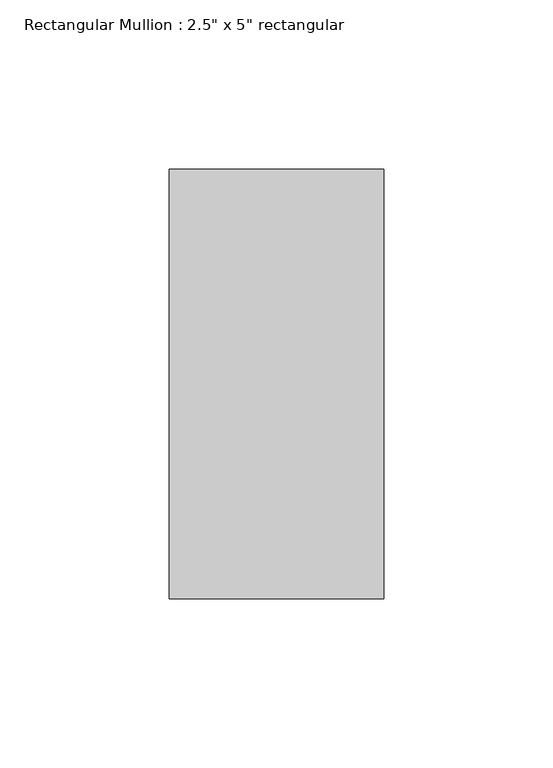
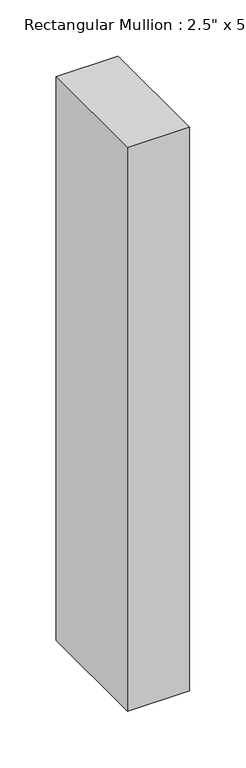
"""IFC4 building model written with IfcOpenShell, lengths in millimetres: member geometry."""

from ifc_helpers import new_model, si_unit, frame, origin, place, context, project, spatial, polyline, outline, extrude, source, transform, mapped, element, save


def member_04c17c44(model_context):
    return source(origin(), model_context, "Body", "SweptSolid", [
        extrude(outline(polyline([(0.0, 0.0), (0.0011783, -63.5), (-610.9260059, -63.5), (-610.9260059, 0.0), (0.0, 0.0)])), frame((0.0, -63.5, 0.0), z_axis=(0.0, 1.0, 0.0), x_axis=(0.0, 0.0, 1.0)), (0.0, 0.0, 1.0), 127.0),
    ])


if __name__ == "__main__":
    model = new_model("IFC4")
    model_context = context("Model", 3, world=origin())
    ifc_project = project(units=[si_unit("LENGTHUNIT", "METRE", prefix="MILLI")], contexts=[model_context])
    site = spatial("IfcSite", under=ifc_project)
    building = spatial("IfcBuilding", under=site)
    placement = place(None, origin())
    member_shape = member_04c17c44(model_context)
    element("IfcMember", 1, ObjectType="Rectangular Mullion : 2.5\" x 5\" rectangular", at=placement, inside=building, context=model_context, shape_type="MappedRepresentation", body=[
        mapped(member_shape, transform((0.0, 0.0, 0.0), x_axis=(1.0, 0.0, 0.0), y_axis=(0.0, 1.0, 0.0), z_axis=(0.0, 0.0, 1.0))),
    ])
    save(model, "model.ifc")
